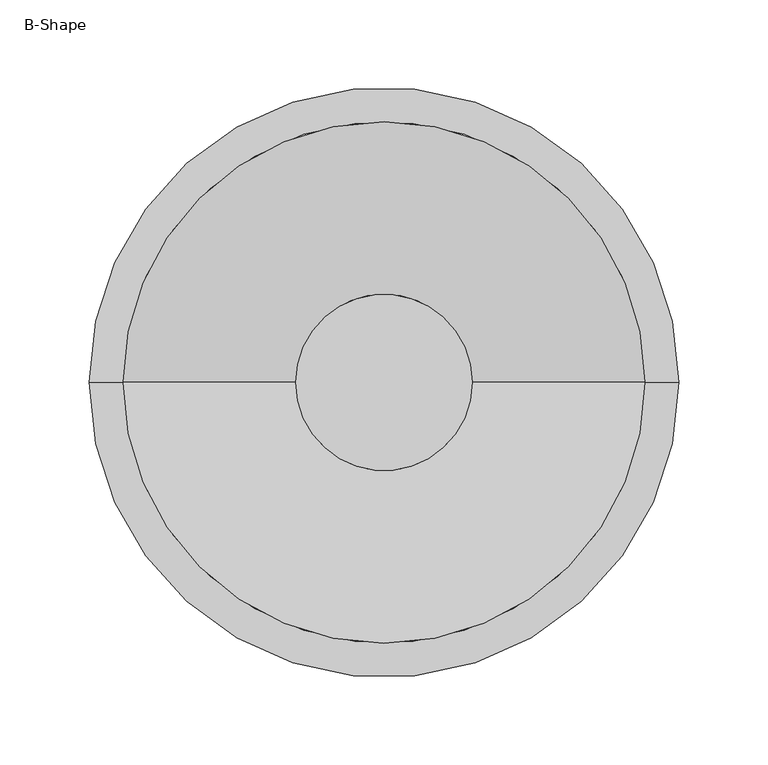
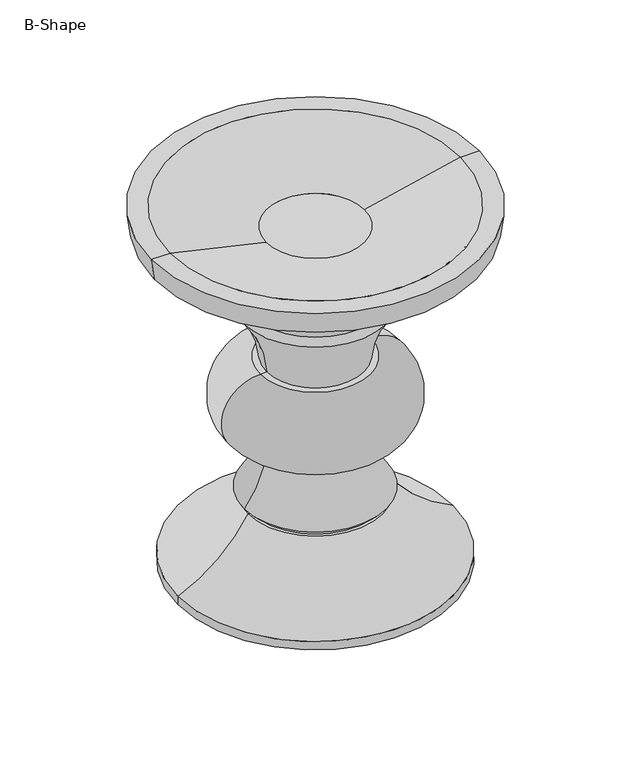
"""IFC4 building model written with IfcOpenShell, lengths in millimetres: furniture geometry, B-Shape."""

from ifc_helpers import new_model, si_unit, point, frame, origin, origin_with_axes, place, context, project, spatial, polyline, circle_curve, ellipse_curve, trimmed, source, transform, mapped, element, save
from ifc_brep_helpers import plane_surface, cylinder_surface, revolved_surface, advanced_brep


def b_shape_22ff4b6e(model_context):
    return source(origin(), model_context, "Body", "AdvancedBrep", [
        advanced_brep(
        [(-49.372327, 0.0, 358.9020029), (49.372327, 0.0, 358.9020029), (-146.049997, 0.0, 381.0), (146.049997, 0.0, 381.0), (165.1000061, 0.0, 381.0), (-165.1000061, 0.0, 381.0), (-130.9877986, 0.0, 0.0), (130.9877986, 0.0, 0.0), (0.0, 0.0, 0.0), (-138.5327868, 0.0, 4.3560999), (138.5327868, 0.0, 4.3560999), (-138.5327868, 0.0, 13.0682998), (138.5327868, 0.0, 13.0682998), (-162.052009, 0.0, 358.9020029), (162.052009, 0.0, 358.9020029), (65.0411857, 0.0, 285.7963158), (-65.0411857, 0.0, 285.7963158), (-68.2624985, 0.0, 76.2), (68.2624985, 0.0, 76.2), (-65.0875015, 0.0, 76.2), (65.0875015, 0.0, 76.2), (-71.4375, 0.0, 82.550003), (71.4375, 0.0, 82.550003), (-49.1489985, 0.0, 141.3510015), (49.1489985, 0.0, 141.3510015), (-55.6260015, 0.0, 141.3510015), (55.6260015, 0.0, 141.3510015), (-55.6260015, 0.0, 220.5989985), (55.6260015, 0.0, 220.5989985), (-49.1489985, 0.0, 220.5989985), (49.1489985, 0.0, 220.5989985), (-71.4375, 0.0, 279.4000061), (71.4375, 0.0, 279.4000061)],
        [
            (0, 1, circle_curve(frame((0.0, 0.0, 358.9020029), z_axis=(0.0, 0.0, 1.0), x_axis=(-1.0, 0.0, 0.0)), 49.372327)),
            (1, 0, circle_curve(frame((0.0, 0.0, 358.9020029), z_axis=(0.0, 0.0, 1.0), x_axis=(1.0, 0.0, 0.0)), 49.372327)),
            (0, 2),
            (2, 3, circle_curve(frame((0.0, 0.0, 381.0), z_axis=(0.0, 0.0, 1.0), x_axis=(-1.0, 0.0, 0.0)), 146.049997)),
            (3, 1),
            (3, 2, circle_curve(frame((0.0, 0.0, 381.0), z_axis=(0.0, 0.0, 1.0), x_axis=(1.0, 0.0, 0.0)), 146.049997)),
            (4, 5, circle_curve(frame((0.0, 0.0, 381.0), z_axis=(0.0, 0.0, 1.0), x_axis=(1.0, 0.0, 0.0)), 165.1000061)),
            (5, 2),
            (3, 4),
            (5, 4, circle_curve(frame((0.0, 0.0, 381.0), z_axis=(0.0, 0.0, 1.0), x_axis=(1.0, 0.0, 0.0)), 165.1000061)),
            (6, 7, circle_curve(frame((0.0, 0.0, 0.0), z_axis=(0.0, 0.0, -1.0), x_axis=(1.0, 0.0, 0.0)), 130.9877986)),
            (7, 8),
            (8, 6),
            (7, 6, circle_curve(frame((0.0, 0.0, 0.0), z_axis=(0.0, 0.0, -1.0), x_axis=(1.0, 0.0, 0.0)), 130.9877986)),
            (6, 9),
            (9, 10, circle_curve(frame((0.0, 0.0, 4.3560999), z_axis=(0.0, 0.0, -1.0), x_axis=(1.0, 0.0, 0.0)), 138.5327868)),
            (10, 7),
            (10, 9, circle_curve(frame((0.0, 0.0, 4.3560999), z_axis=(0.0, 0.0, -1.0), x_axis=(1.0, 0.0, 0.0)), 138.5327868)),
            (9, 11),
            (11, 12, circle_curve(frame((0.0, 0.0, 13.0682998), z_axis=(0.0, 0.0, -1.0), x_axis=(1.0, 0.0, 0.0)), 138.5327868)),
            (12, 10),
            (12, 11, circle_curve(frame((0.0, 0.0, 13.0682998), z_axis=(0.0, 0.0, -1.0), x_axis=(1.0, 0.0, 0.0)), 138.5327868)),
            (13, 14, circle_curve(frame((0.0, 0.0, 358.9020029), z_axis=(0.0, 0.0, -1.0), x_axis=(1.0, 0.0, 0.0)), 162.052009)),
            (14, 15, circle_curve(frame((299.8179301, 0.0, 75.1681801), z_axis=(0.0, -1.0, 0.0), x_axis=(1.0, 0.0, 0.0)), 315.4113683)),
            (15, 16, circle_curve(frame((0.0, 0.0, 285.7963158), z_axis=(0.0, 0.0, 1.0), x_axis=(1.0, 0.0, 0.0)), 65.0411857)),
            (16, 13, circle_curve(frame((-299.8179301, 0.0, 75.1681801), z_axis=(0.0, -1.0, 0.0), x_axis=(-1.0, 0.0, 0.0)), 315.4113683)),
            (14, 13, circle_curve(frame((0.0, 0.0, 358.9020029), z_axis=(0.0, 0.0, -1.0), x_axis=(1.0, 0.0, 0.0)), 162.052009)),
            (16, 15, circle_curve(frame((0.0, 0.0, 285.7963158), z_axis=(0.0, 0.0, 1.0), x_axis=(1.0, 0.0, 0.0)), 65.0411857)),
            (4, 14),
            (13, 5),
            (11, 17, circle_curve(frame((-198.7107996, 0.0, 150.7247985), z_axis=(0.0, -1.0, 0.0), x_axis=(-1.0, 0.0, 0.0)), 150.2354979)),
            (17, 18, circle_curve(frame((0.0, 0.0, 76.2), z_axis=(0.0, 0.0, -1.0), x_axis=(1.0, 0.0, 0.0)), 68.2624985)),
            (18, 12, circle_curve(frame((198.7107996, 0.0, 150.7247985), z_axis=(0.0, -1.0, 0.0), x_axis=(1.0, 0.0, 0.0)), 150.2354979)),
            (18, 17, circle_curve(frame((0.0, 0.0, 76.2), z_axis=(0.0, 0.0, -1.0), x_axis=(1.0, 0.0, 0.0)), 68.2624985)),
            (17, 19),
            (19, 20, circle_curve(frame((0.0, 0.0, 76.2), z_axis=(0.0, 0.0, -1.0), x_axis=(1.0, 0.0, 0.0)), 65.0875015)),
            (20, 18),
            (20, 19, circle_curve(frame((0.0, 0.0, 76.2), z_axis=(0.0, 0.0, -1.0), x_axis=(1.0, 0.0, 0.0)), 65.0875015)),
            (19, 21),
            (21, 22, circle_curve(frame((0.0, 0.0, 82.550003), z_axis=(0.0, 0.0, -1.0), x_axis=(1.0, 0.0, 0.0)), 71.4375)),
            (22, 20),
            (22, 21, circle_curve(frame((0.0, 0.0, 82.550003), z_axis=(0.0, 0.0, -1.0), x_axis=(1.0, 0.0, 0.0)), 71.4375)),
            (21, 23, circle_curve(frame((-152.1620915, 0.0, 146.7733603), z_axis=(0.0, -1.0, 0.0), x_axis=(-1.0, 0.0, 0.0)), 103.1557041)),
            (23, 24, circle_curve(frame((0.0, 0.0, 141.3510015), z_axis=(0.0, 0.0, -1.0), x_axis=(1.0, 0.0, 0.0)), 49.1489985)),
            (24, 22, circle_curve(frame((152.1620915, 0.0, 146.7733603), z_axis=(0.0, -1.0, 0.0), x_axis=(1.0, 0.0, 0.0)), 103.1557041)),
            (24, 23, circle_curve(frame((0.0, 0.0, 141.3510015), z_axis=(0.0, 0.0, -1.0), x_axis=(1.0, 0.0, 0.0)), 49.1489985)),
            (23, 25),
            (25, 26, circle_curve(frame((0.0, 0.0, 141.3510015), z_axis=(0.0, 0.0, -1.0), x_axis=(1.0, 0.0, 0.0)), 55.6260015)),
            (26, 24),
            (26, 25, circle_curve(frame((0.0, 0.0, 141.3510015), z_axis=(0.0, 0.0, -1.0), x_axis=(1.0, 0.0, 0.0)), 55.6260015)),
            (25, 27, circle_curve(frame((-55.6260015, 0.0, 180.975), z_axis=(0.0, 1.0, 0.0), x_axis=(-1.0, 0.0, 0.0)), 39.6239985)),
            (27, 28, circle_curve(frame((0.0, 0.0, 220.5989985), z_axis=(0.0, 0.0, -1.0), x_axis=(1.0, 0.0, 0.0)), 55.6260015)),
            (28, 26, circle_curve(frame((55.6260015, 0.0, 180.975), z_axis=(0.0, 1.0, 0.0), x_axis=(1.0, 0.0, 0.0)), 39.6239985)),
            (28, 27, circle_curve(frame((0.0, 0.0, 220.5989985), z_axis=(0.0, 0.0, -1.0), x_axis=(1.0, 0.0, 0.0)), 55.6260015)),
            (27, 29),
            (29, 30, circle_curve(frame((0.0, 0.0, 220.5989985), z_axis=(0.0, 0.0, -1.0), x_axis=(1.0, 0.0, 0.0)), 49.1489985)),
            (30, 28),
            (30, 29, circle_curve(frame((0.0, 0.0, 220.5989985), z_axis=(0.0, 0.0, -1.0), x_axis=(1.0, 0.0, 0.0)), 49.1489985)),
            (29, 31, circle_curve(frame((-153.4496138, 0.0, 214.6886147), z_axis=(0.0, -1.0, 0.0), x_axis=(-1.0, 0.0, 0.0)), 104.4679424)),
            (31, 32, circle_curve(frame((0.0, 0.0, 279.4000061), z_axis=(0.0, 0.0, -1.0), x_axis=(1.0, 0.0, 0.0)), 71.4375)),
            (32, 30, circle_curve(frame((153.4496138, 0.0, 214.6886147), z_axis=(0.0, -1.0, 0.0), x_axis=(1.0, 0.0, 0.0)), 104.4679424)),
            (32, 31, circle_curve(frame((0.0, 0.0, 279.4000061), z_axis=(0.0, 0.0, -1.0), x_axis=(1.0, 0.0, 0.0)), 71.4375)),
            (15, 32),
            (31, 16),
        ],
        [
            plane_surface(frame((0.0, 0.0, 358.9020029), z_axis=(0.0, 0.0, 1.0), x_axis=(0.0, -1.0, 0.0))),
            revolved_surface(polyline([(-146.049997, 0.0, 381.0), (-49.37232699774562, 0.0, 358.9020029)]), (0.0, 0.0, 347.616775), (0.0, 0.0, 1.0)),
            revolved_surface(polyline([(146.049997, 0.0, 381.0), (49.37232699774562, 0.0, 358.9020029)]), (0.0, 0.0, 347.616775), (0.0, 0.0, 1.0)),
            plane_surface(frame((0.0, 0.0, 381.0), z_axis=(0.0, 0.0, 1.0), x_axis=(1.0, 0.0, 0.0))),
            plane_surface(frame((0.0, 0.0, 0.0), z_axis=(0.0, 0.0, -1.0), x_axis=(1.0, 0.0, 0.0))),
            revolved_surface(polyline([(130.9877986, 0.0, 0.0), (138.5327868, 0.0, 4.3560999)]), (0.0, 0.0, 0.0), (0.0, 0.0, 1.0)),
            cylinder_surface(origin_with_axes(), 138.5327868),
            revolved_surface(trimmed(ellipse_curve(frame((299.8179301, 0.0, 75.1681801), z_axis=(0.0, 1.0, 0.0), x_axis=(1.0, 0.0, 0.0)), 315.4113683, 315.4113683), [point((65.0411857, 0.0, 285.7963158))], [point((162.052009, 0.0, 358.9020029))], True, "CARTESIAN"), (0.0, 0.0, 0.0), (0.0, 0.0, 1.0)),
            revolved_surface(polyline([(162.052009, 0.0, 358.9020029), (165.1000061, 0.0, 381.0)]), (0.0, 0.0, 0.0), (0.0, 0.0, 1.0)),
            revolved_surface(trimmed(ellipse_curve(frame((198.7107996, 0.0, 150.7247985), z_axis=(0.0, 1.0, 0.0), x_axis=(1.0, 0.0, 0.0)), 150.2354979, 150.2354979), [point((138.5327868, 0.0, 13.0682998))], [point((68.2624985, 0.0, 76.2))], True, "CARTESIAN"), (0.0, 0.0, 0.0), (0.0, 0.0, 1.0)),
            plane_surface(frame((0.0, 0.0, 76.2), z_axis=(0.0, 0.0, 1.0), x_axis=(1.0, 0.0, 0.0))),
            revolved_surface(polyline([(65.0875015, 0.0, 76.2), (71.4375, 0.0, 82.550003)]), (0.0, 0.0, 0.0), (0.0, 0.0, 1.0)),
            revolved_surface(trimmed(ellipse_curve(frame((152.1620915, 0.0, 146.7733603), z_axis=(0.0, 1.0, 0.0), x_axis=(1.0, 0.0, 0.0)), 103.1557041, 103.1557041), [point((71.4375, 0.0, 82.550003))], [point((49.1489985, 0.0, 141.3510015))], True, "CARTESIAN"), (0.0, 0.0, 0.0), (0.0, 0.0, 1.0)),
            plane_surface(frame((0.0, 0.0, 141.3510015), z_axis=(0.0, 0.0, -1.0), x_axis=(1.0, 0.0, 0.0))),
            revolved_surface(trimmed(ellipse_curve(frame((55.6260015, 0.0, 180.975), z_axis=(0.0, -1.0, 0.0), x_axis=(1.0, 0.0, 0.0)), 39.6239985, 39.6239985), [point((55.6260015, 0.0, 141.3510015))], [point((55.6260015, 0.0, 220.5989985))], True, "CARTESIAN"), (0.0, 0.0, 0.0), (0.0, 0.0, 1.0)),
            plane_surface(frame((0.0, 0.0, 220.5989985), z_axis=(0.0, 0.0, 1.0), x_axis=(1.0, 0.0, 0.0))),
            revolved_surface(trimmed(ellipse_curve(frame((153.4496138, 0.0, 214.6886147), z_axis=(0.0, 1.0, 0.0), x_axis=(1.0, 0.0, 0.0)), 104.4679424, 104.4679424), [point((49.1489985, 0.0, 220.5989985))], [point((71.4375, 0.0, 279.4000061))], True, "CARTESIAN"), (0.0, 0.0, 0.0), (0.0, 0.0, 1.0)),
            revolved_surface(polyline([(71.4375, 0.0, 279.4000061), (65.0411857, 0.0, 285.7963158)]), (0.0, 0.0, 0.0), (0.0, 0.0, 1.0)),
        ],
        [
            (0, [[1, 2]]),
            (1, [[-1, 3, 4, 5]]),
            (2, [[-2, -5, 6, -3]]),
            (3, [[7, 8, -6, 9]]),
            (3, [[10, -9, -4, -8]]),
            (4, [[11, 12, 13]]),
            (4, [[-12, 14, -13]]),
            (5, [[-11, 15, 16, 17]]),
            (5, [[-14, -17, 18, -15]]),
            (6, [[-16, 19, 20, 21]]),
            (6, [[-18, -21, 22, -19]]),
            (7, [[23, 24, 25, 26]]),
            (7, [[-24, 27, -26, 28]]),
            (8, [[-7, 29, -23, 30]]),
            (8, [[-10, -30, -27, -29]]),
            (9, [[-20, 31, 32, 33]]),
            (9, [[-22, -33, 34, -31]]),
            (10, [[-32, 35, 36, 37]]),
            (10, [[-34, -37, 38, -35]]),
            (11, [[-36, 39, 40, 41]]),
            (11, [[-38, -41, 42, -39]]),
            (12, [[-40, 43, 44, 45]]),
            (12, [[-42, -45, 46, -43]]),
            (13, [[-44, 47, 48, 49]]),
            (13, [[-46, -49, 50, -47]]),
            (14, [[-48, 51, 52, 53]]),
            (14, [[-50, -53, 54, -51]]),
            (15, [[-52, 55, 56, 57]]),
            (15, [[-54, -57, 58, -55]]),
            (16, [[-56, 59, 60, 61]]),
            (16, [[-58, -61, 62, -59]]),
            (17, [[-25, 63, -60, 64]]),
            (17, [[-28, -64, -62, -63]]),
        ],
    ),
    ])


if __name__ == "__main__":
    model = new_model("IFC4")
    model_context = context("Model", 3, world=origin())
    ifc_project = project(units=[si_unit("LENGTHUNIT", "METRE", prefix="MILLI")], contexts=[model_context])
    site = spatial("IfcSite", under=ifc_project)
    building = spatial("IfcBuilding", under=site)
    placement = place(None, origin())
    b_shape_shape = b_shape_22ff4b6e(model_context)
    element("IfcFurniture", 1, ObjectType="B-Shape", at=placement, inside=building, context=model_context, shape_type="MappedRepresentation", body=[
        mapped(b_shape_shape, transform((0.0, 0.0, 0.0), x_axis=(1.0, 0.0, 0.0), y_axis=(0.0, 1.0, 0.0), z_axis=(0.0, 0.0, 1.0))),
    ])
    save(model, "model.ifc")
